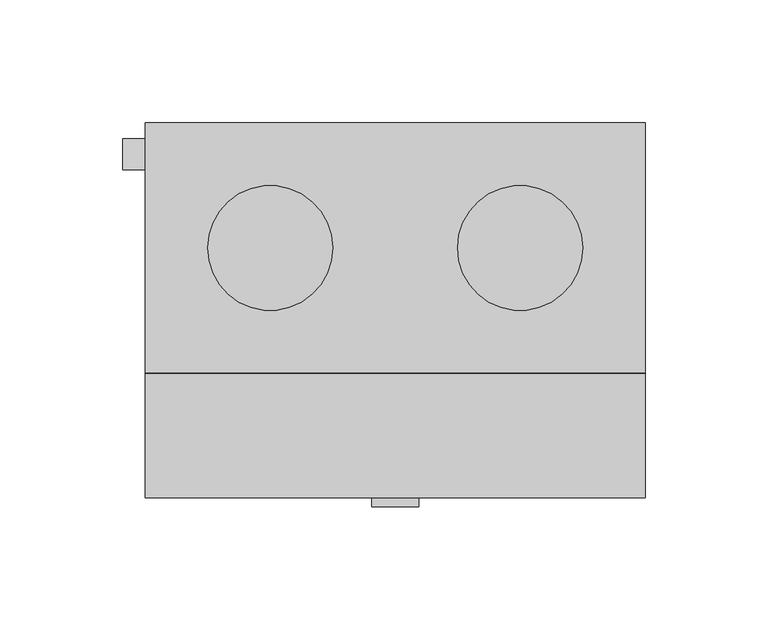
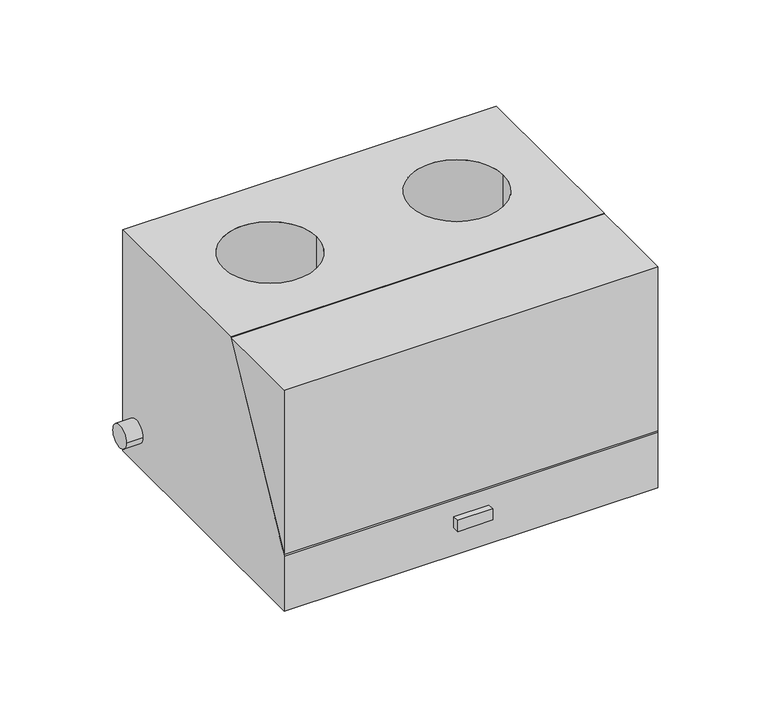
"""IFC4 building model written with IfcOpenShell, lengths in millimetres: proxy geometry."""

from ifc_helpers import new_model, si_unit, point, frame, frame_2d, origin, place, context, project, spatial, polyline, circle_curve, trimmed, segment, composite_curve, outline, extrude, source, transform, mapped, element, save
from ifc_brep_helpers import plane_surface, revolved_surface, advanced_brep


def specialty_equipment_dac5a218(model_context):
    return source(origin(), model_context, "Body", "SolidModel", [
        extrude(outline(composite_curve([segment(trimmed(circle_curve(frame_2d((63.5, 19.05)), 6.35), [point((57.15, 19.05))], [point((69.85, 19.05))], False, "CARTESIAN"), True, "CONTINUOUS"), segment(trimmed(circle_curve(frame_2d((63.5, 19.05)), 6.35), [point((69.85, 19.05))], [point((57.15, 19.05))], False, "CARTESIAN"), True, "CONTINUOUS")], self_intersect=False)), frame((-110.635751, 0.0, 0.0), z_axis=(1.0, 0.0, 0.0), x_axis=(0.0, 1.0, 0.0)), (0.0, 0.0, 1.0), 9.035751),
        extrude(outline(polyline([(9.525, -79.8655165), (-9.525, -79.8655165), (-9.525, -76.2), (9.525, -76.2), (9.525, -79.8655165)])), frame((0.0, 0.0, 15.875), z_axis=(0.0, 0.0, 1.0), x_axis=(1.0, 0.0, 0.0)), (0.0, 0.0, 1.0), 6.35),
        advanced_brep(
        [(101.6, 76.2, 0.0), (101.6, 76.2, 127.0), (101.6, -25.4, 127.0), (101.6, -76.2, 31.75), (101.6, -76.2, 0.0), (-101.6, 76.2, 0.0), (-101.6, -76.2, 0.0), (-101.6, -76.2, 31.75), (-101.6, -25.4, 127.0), (-101.6, 76.2, 127.0), (-25.4, 25.4, 127.0), (-76.2, 25.4, 127.0), (76.2, 25.4, 127.0), (25.4, 25.4, 127.0), (-76.2, 25.4, 52.2934514), (-25.4, 25.4, 52.2934514), (25.4, 25.4, 52.2934514), (76.2, 25.4, 52.2934514)],
        [
            (0, 1),
            (1, 2),
            (2, 3),
            (3, 4),
            (4, 0),
            (5, 6),
            (6, 7),
            (7, 8),
            (8, 9),
            (9, 5),
            (0, 5),
            (9, 1),
            (8, 2),
            (10, 11, circle_curve(frame((-50.8, 25.4, 127.0), z_axis=(0.0, 0.0, -1.0), x_axis=(1.0, 0.0, 0.0)), 25.4)),
            (11, 10, circle_curve(frame((-50.8, 25.4, 127.0), z_axis=(0.0, 0.0, -1.0), x_axis=(1.0, 0.0, 0.0)), 25.4)),
            (12, 13, circle_curve(frame((50.8, 25.4, 127.0), z_axis=(0.0, 0.0, -1.0), x_axis=(1.0, 0.0, 0.0)), 25.4)),
            (13, 12, circle_curve(frame((50.8, 25.4, 127.0), z_axis=(0.0, 0.0, -1.0), x_axis=(1.0, 0.0, 0.0)), 25.4)),
            (7, 3),
            (6, 4),
            (14, 15, circle_curve(frame((-50.8, 25.4, 52.2934514), z_axis=(0.0, 0.0, 1.0), x_axis=(1.0, 0.0, 0.0)), 25.4)),
            (15, 14, circle_curve(frame((-50.8, 25.4, 52.2934514), z_axis=(0.0, 0.0, 1.0), x_axis=(1.0, 0.0, 0.0)), 25.4)),
            (16, 17, circle_curve(frame((50.8, 25.4, 52.2934514), z_axis=(0.0, 0.0, 1.0), x_axis=(1.0, 0.0, 0.0)), 25.4)),
            (17, 16, circle_curve(frame((50.8, 25.4, 52.2934514), z_axis=(0.0, 0.0, 1.0), x_axis=(1.0, 0.0, 0.0)), 25.4)),
            (14, 11),
            (10, 15),
            (16, 13),
            (12, 17),
        ],
        [
            plane_surface(frame((101.6, 76.2, 127.0), z_axis=(1.0, 0.0, 0.0), x_axis=(0.0, 0.0, 1.0))),
            plane_surface(frame((-101.6, 76.2, 127.0), z_axis=(-1.0, 0.0, 0.0), x_axis=(0.0, 0.0, -1.0))),
            plane_surface(frame((101.6, 76.2, 0.0), z_axis=(0.0, 1.0, 0.0), x_axis=(-1.0, 0.0, 0.0))),
            plane_surface(frame((101.6, 76.2, 127.0), z_axis=(0.0, 0.0, 1.0), x_axis=(-1.0, 0.0, 0.0))),
            plane_surface(frame((101.6, -25.4, 127.0), z_axis=(0.0, -0.8823529411764903, 0.4705882352940807), x_axis=(-1.0, 0.0, 0.0))),
            plane_surface(frame((101.6, -76.2, 31.75), z_axis=(0.0, -1.0, 0.0), x_axis=(-1.0, 0.0, 0.0))),
            plane_surface(frame((101.6, -76.2, 0.0), z_axis=(0.0, 0.0, -1.0), x_axis=(-1.0, 0.0, 0.0))),
            plane_surface(frame((-25.4, 25.4, 52.2934514), z_axis=(0.0, 0.0, 1.0), x_axis=(0.0, -1.0, 0.0))),
            revolved_surface(polyline([(-25.4, 25.4, 127.0), (-25.4, 25.4, 52.2934514)]), (-50.8, 25.4, 52.2934514), (0.0, 0.0, 1.0)),
            revolved_surface(polyline([(76.19999999999999, 25.4, 127.0), (76.19999999999999, 25.4, 52.2934514)]), (50.8, 25.4, 0.0), (0.0, 0.0, 1.0)),
        ],
        [
            (0, [[1, 2, 3, 4, 5]]),
            (1, [[6, 7, 8, 9, 10]]),
            (2, [[-1, 11, -10, 12]]),
            (3, [[-2, -12, -9, 13], [14, 15], [16, 17]]),
            (4, [[-3, -13, -8, 18]]),
            (5, [[-4, -18, -7, 19]]),
            (6, [[-5, -19, -6, -11]]),
            (7, [[20, 21]]),
            (7, [[22, 23]]),
            (8, [[-20, 24, -14, 25]]),
            (8, [[-21, -25, -15, -24]]),
            (9, [[-22, 26, -16, 27]]),
            (9, [[-23, -27, -17, -26]]),
        ],
    ),
        advanced_brep(
        [(-101.6, 76.2, 127.0), (-101.6, 0.0, 127.0), (-101.6, -76.2, 127.0), (101.6, -76.2, 127.0), (101.6, 76.2, 127.0), (-25.4, 25.4, 127.0), (-76.2, 25.4, 127.0), (76.2, 25.4, 127.0), (25.4, 25.4, 127.0), (-101.6, 76.2, 0.0), (101.6, 76.2, 0.0), (101.6, -76.2, 0.0), (-101.6, -76.2, 0.0), (-101.6, 0.0, 0.0), (-76.2, 25.4, 52.2934514), (-25.4, 25.4, 52.2934514), (25.4, 25.4, 52.2934514), (76.2, 25.4, 52.2934514)],
        [
            (0, 1),
            (1, 2),
            (2, 3),
            (3, 4),
            (4, 0),
            (5, 6, circle_curve(frame((-50.8, 25.4, 127.0), z_axis=(0.0, 0.0, -1.0), x_axis=(1.0, 0.0, 0.0)), 25.4)),
            (6, 5, circle_curve(frame((-50.8, 25.4, 127.0), z_axis=(0.0, 0.0, -1.0), x_axis=(1.0, 0.0, 0.0)), 25.4)),
            (7, 8, circle_curve(frame((50.8, 25.4, 127.0), z_axis=(0.0, 0.0, -1.0), x_axis=(1.0, 0.0, 0.0)), 25.4)),
            (8, 7, circle_curve(frame((50.8, 25.4, 127.0), z_axis=(0.0, 0.0, -1.0), x_axis=(1.0, 0.0, 0.0)), 25.4)),
            (9, 10),
            (10, 11),
            (11, 12),
            (12, 13),
            (13, 9),
            (0, 9),
            (13, 1),
            (12, 2),
            (11, 3),
            (10, 4),
            (14, 15, circle_curve(frame((-50.8, 25.4, 52.2934514), z_axis=(0.0, 0.0, 1.0), x_axis=(1.0, 0.0, 0.0)), 25.4)),
            (15, 14, circle_curve(frame((-50.8, 25.4, 52.2934514), z_axis=(0.0, 0.0, 1.0), x_axis=(1.0, 0.0, 0.0)), 25.4)),
            (16, 17, circle_curve(frame((50.8, 25.4, 52.2934514), z_axis=(0.0, 0.0, 1.0), x_axis=(1.0, 0.0, 0.0)), 25.4)),
            (17, 16, circle_curve(frame((50.8, 25.4, 52.2934514), z_axis=(0.0, 0.0, 1.0), x_axis=(1.0, 0.0, 0.0)), 25.4)),
            (14, 6),
            (5, 15),
            (16, 8),
            (7, 17),
        ],
        [
            plane_surface(frame((-101.6, 0.0, 127.0), z_axis=(0.0, 0.0, 1.0), x_axis=(0.0, -1.0, 0.0))),
            plane_surface(frame((-101.6, 0.0, 0.0), z_axis=(0.0, 0.0, -1.0), x_axis=(0.0, 1.0, 0.0))),
            plane_surface(frame((-101.6, 76.2, 127.0), z_axis=(-1.0, 0.0, 0.0), x_axis=(0.0, 0.0, -1.0))),
            plane_surface(frame((-101.6, 0.0, 127.0), z_axis=(-1.0, 0.0, 0.0), x_axis=(0.0, 0.0, -1.0))),
            plane_surface(frame((-101.6, -76.2, 127.0), z_axis=(0.0, -1.0, 0.0), x_axis=(0.0, 0.0, -1.0))),
            plane_surface(frame((101.6, -76.2, 127.0), z_axis=(1.0, 0.0, 0.0), x_axis=(0.0, 0.0, -1.0))),
            plane_surface(frame((101.6, 76.2, 127.0), z_axis=(0.0, 1.0, 0.0), x_axis=(0.0, 0.0, -1.0))),
            plane_surface(frame((-25.4, 25.4, 52.2934514), z_axis=(0.0, 0.0, 1.0), x_axis=(0.0, -1.0, 0.0))),
            revolved_surface(polyline([(-25.4, 25.4, 127.0), (-25.4, 25.4, 52.2934514)]), (-50.8, 25.4, 52.2934514), (0.0, 0.0, 1.0)),
            revolved_surface(polyline([(76.19999999999999, 25.4, 127.0), (76.19999999999999, 25.4, 52.2934514)]), (50.8, 25.4, 0.0), (0.0, 0.0, 1.0)),
        ],
        [
            (0, [[1, 2, 3, 4, 5], [6, 7], [8, 9]]),
            (1, [[10, 11, 12, 13, 14]]),
            (2, [[-1, 15, -14, 16]]),
            (3, [[-2, -16, -13, 17]]),
            (4, [[-3, -17, -12, 18]]),
            (5, [[-4, -18, -11, 19]]),
            (6, [[-5, -19, -10, -15]]),
            (7, [[20, 21]]),
            (7, [[22, 23]]),
            (8, [[-20, 24, -6, 25]]),
            (8, [[-21, -25, -7, -24]]),
            (9, [[-22, 26, -8, 27]]),
            (9, [[-23, -27, -9, -26]]),
        ],
    ),
    ])


if __name__ == "__main__":
    model = new_model("IFC4")
    model_context = context("Model", 3, world=origin())
    ifc_project = project(units=[si_unit("LENGTHUNIT", "METRE", prefix="MILLI")], contexts=[model_context])
    site = spatial("IfcSite", under=ifc_project)
    building = spatial("IfcBuilding", under=site)
    placement = place(None, origin())
    specialty_equipment_shape = specialty_equipment_dac5a218(model_context)
    element("IfcBuildingElementProxy", 1, Name="Specialty Equipment", at=placement, inside=building, context=model_context, shape_type="MappedRepresentation", body=[
        mapped(specialty_equipment_shape, transform((0.0, 0.0, 0.0), x_axis=(1.0, 0.0, 0.0), y_axis=(0.0, 1.0, 0.0), z_axis=(0.0, 0.0, 1.0))),
    ])
    save(model, "model.ifc")
